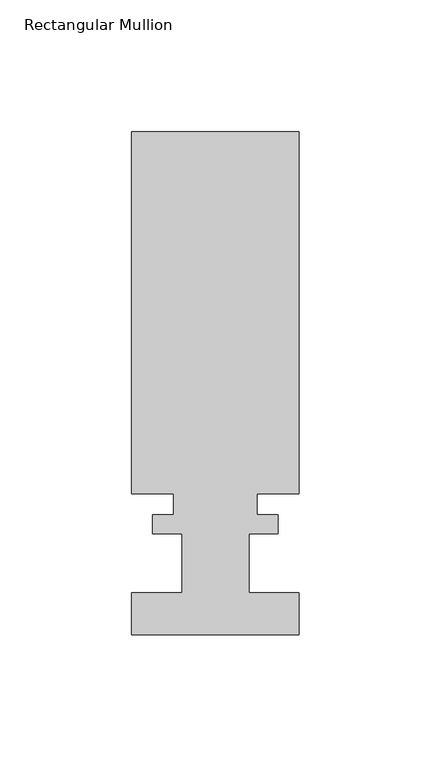
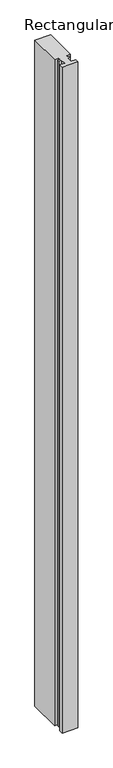
"""IFC4 building model written with IfcOpenShell, lengths in millimetres: member geometry, Rectangular Mullion."""

from ifc_helpers import new_model, si_unit, frame, origin, place, context, project, spatial, polyline, outline, extrude, source, transform, mapped, element, save


def rectangular_mullion_5b1c3f6f(model_context):
    return source(origin(), model_context, "Body", "SweptSolid", [
        extrude(outline(polyline([(31.75, 191.8890625), (31.75, 54.5512625), (15.875, 54.5512625), (15.875, 46.6518625), (23.8252, 46.6518625), (23.8252, 39.4890625), (12.7, 39.4890625), (12.7, 17.0100625), (31.75, 17.0100625), (31.75, 1.1350625), (-31.75, 1.1350625), (-31.75, 17.0100625), (-12.7, 17.0100625), (-12.7, 39.4890625), (-23.8252, 39.4890625), (-23.8252, 46.6518625), (-15.875, 46.6518625), (-15.875, 54.5512625), (-31.75, 54.5512625), (-31.75, 191.8890625), (31.75, 191.8890625)])), frame((0.0, 0.0, -2845.451264), z_axis=(0.0, 0.0, 1.0), x_axis=(1.0, 0.0, 0.0)), (0.0, 0.0, 1.0), 2845.451264),
    ])


if __name__ == "__main__":
    model = new_model("IFC4")
    model_context = context("Model", 3, world=origin())
    ifc_project = project(units=[si_unit("LENGTHUNIT", "METRE", prefix="MILLI")], contexts=[model_context])
    site = spatial("IfcSite", under=ifc_project)
    building = spatial("IfcBuilding", under=site)
    placement = place(None, origin())
    rectangular_mullion_shape = rectangular_mullion_5b1c3f6f(model_context)
    element("IfcMember", 1, ObjectType="Rectangular Mullion", at=placement, inside=building, context=model_context, shape_type="MappedRepresentation", body=[
        mapped(rectangular_mullion_shape, transform((0.0, 0.0, 0.0), x_axis=(1.0, 0.0, 0.0), y_axis=(0.0, 1.0, 0.0), z_axis=(0.0, 0.0, 1.0))),
    ])
    save(model, "model.ifc")
